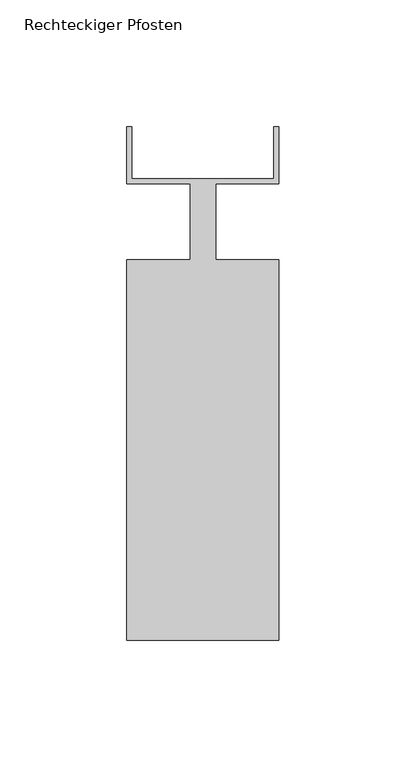
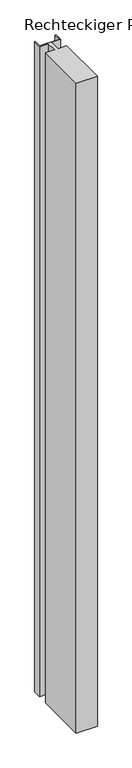
"""IFC4 building model written with IfcOpenShell, lengths in millimetres: member geometry, Rechteckiger Pfosten."""

from ifc_helpers import new_model, si_unit, frame, origin, place, context, project, spatial, polyline, outline, extrude, source, transform, mapped, element, save


def rechteckiger_pfosten_5fe71929(model_context):
    return source(origin(), model_context, "Body", "SweptSolid", [
        extrude(outline(polyline([(28.0, 37.5), (30.0, 37.5), (30.0, 15.0), (5.0, 15.0), (5.0, -15.0), (30.0, -15.0), (30.0, -165.0), (-30.0, -165.0), (-30.0, -15.0), (-5.0, -15.0), (-5.0, 15.0), (-30.0, 15.0), (-30.0, 37.5), (-28.0, 37.5), (-28.0, 17.0), (28.0, 17.0), (28.0, 37.5)])), frame((0.0, 0.0, -1940.0), z_axis=(0.0, 0.0, 1.0), x_axis=(1.0, 0.0, 0.0)), (0.0, 0.0, 1.0), 1940.0),
    ])


if __name__ == "__main__":
    model = new_model("IFC4")
    model_context = context("Model", 3, world=origin())
    ifc_project = project(units=[si_unit("LENGTHUNIT", "METRE", prefix="MILLI")], contexts=[model_context])
    site = spatial("IfcSite", under=ifc_project)
    building = spatial("IfcBuilding", under=site)
    placement = place(None, origin())
    rechteckiger_pfosten_shape = rechteckiger_pfosten_5fe71929(model_context)
    element("IfcMember", 1, ObjectType="Rechteckiger Pfosten", at=placement, inside=building, context=model_context, shape_type="MappedRepresentation", body=[
        mapped(rechteckiger_pfosten_shape, transform((0.0, 0.0, 0.0), x_axis=(1.0, 0.0, 0.0), y_axis=(0.0, 1.0, 0.0), z_axis=(0.0, 0.0, 1.0))),
    ])
    save(model, "model.ifc")
